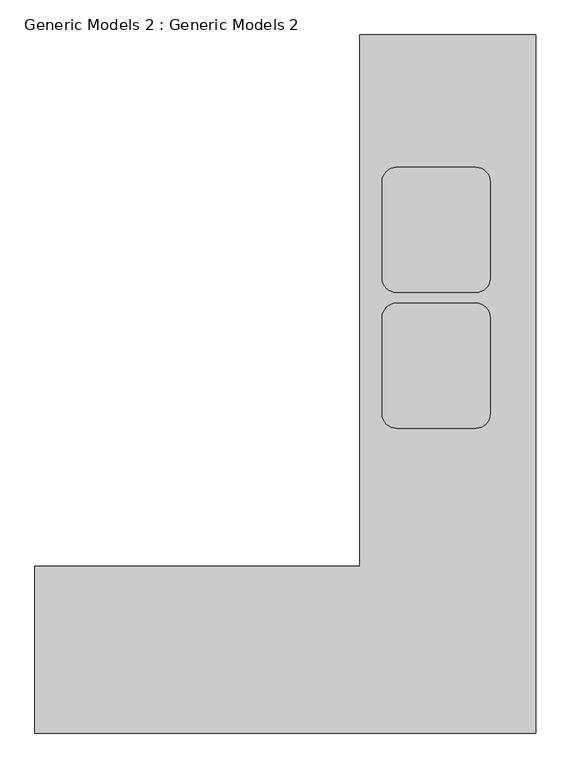
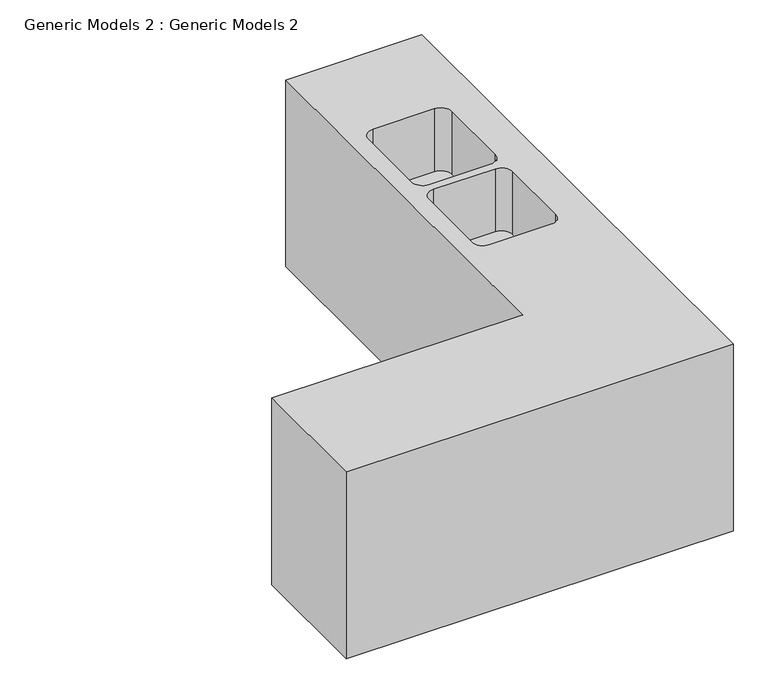
"""IFC4 building model written with IfcOpenShell, lengths in millimetres: proxy geometry, Generic Models 2 : Generic Models 2."""

from ifc_helpers import new_model, si_unit, frame, origin, place, context, project, spatial, polyline, circle_curve, source, transform, mapped, element, save
from ifc_brep_helpers import plane_surface, revolved_surface, advanced_brep


def generic_models_2_generic_models_2_f563f074(model_context):
    return source(origin(), model_context, "Body", "AdvancedBrep", [
        advanced_brep(
        [(588.3111023, -3882.7502059, 906.291841), (588.3111023, -5765.2300834, 906.291841), (-561.4702259, -5765.2300834, 906.291841), (-561.4702259, -6355.2340645, 906.291841), (1212.9856834, -6355.2340645, 906.291841), (1212.9856834, -3882.7502059, 906.291841), (719.0846311, -4351.9340645, 906.291841), (1000.0846311, -4351.9340645, 906.291841), (1050.8846311, -4402.7340645, 906.291841), (1050.8846311, -4743.9840645, 906.291841), (1000.0846311, -4794.7840645, 906.291841), (719.0846311, -4794.7840645, 906.291841), (668.2846311, -4743.9840645, 906.291841), (668.2846311, -4402.7340645, 906.291841), (719.0846311, -4832.8840645, 906.291841), (1000.0846311, -4832.8840645, 906.291841), (1050.8846311, -4883.6840645, 906.291841), (1050.8846311, -5224.9340645, 906.291841), (1000.0846311, -5275.7340645, 906.291841), (719.0846311, -5275.7340645, 906.291841), (668.2846311, -5224.9340645, 906.291841), (668.2846311, -4883.6840645, 906.291841), (588.3111023, -3882.7502059, 0.0), (1212.9856834, -3882.7502059, 0.0), (1212.9856834, -6355.2340645, 0.0), (-561.4702259, -6355.2340645, 0.0), (-561.4702259, -5765.2300834, 0.0), (588.3111023, -5765.2300834, 0.0), (719.0846311, -4351.9340645, 601.491841), (668.2846311, -4402.7340645, 601.491841), (668.2846311, -4743.9840645, 601.491841), (719.0846311, -4794.7840645, 601.491841), (1000.0846311, -4794.7840645, 601.491841), (1050.8846311, -4743.9840645, 601.491841), (1050.8846311, -4402.7340645, 601.491841), (1000.0846311, -4351.9340645, 601.491841), (719.0846311, -4832.8840645, 601.491841), (668.2846311, -4883.6840645, 601.491841), (668.2846311, -5224.9340645, 601.491841), (719.0846311, -5275.7340645, 601.491841), (1000.0846311, -5275.7340645, 601.491841), (1050.8846311, -5224.9340645, 601.491841), (1050.8846311, -4883.6840645, 601.491841), (1000.0846311, -4832.8840645, 601.491841)],
        [
            (0, 1),
            (1, 2),
            (2, 3),
            (3, 4),
            (4, 5),
            (5, 0),
            (6, 7),
            (7, 8, circle_curve(frame((1000.0846311, -4402.7340645, 906.291841), z_axis=(0.0, 0.0, -1.0), x_axis=(0.0, -1.0, 0.0)), 50.8)),
            (8, 9),
            (9, 10, circle_curve(frame((1000.0846311, -4743.9840645, 906.291841), z_axis=(0.0, 0.0, -1.0), x_axis=(0.0, -1.0, 0.0)), 50.8)),
            (10, 11),
            (11, 12, circle_curve(frame((719.0846311, -4743.9840645, 906.291841), z_axis=(0.0, 0.0, -1.0), x_axis=(0.0, -1.0, 0.0)), 50.8)),
            (12, 13),
            (13, 6, circle_curve(frame((719.0846311, -4402.7340645, 906.291841), z_axis=(0.0, 0.0, -1.0), x_axis=(0.0, -1.0, 0.0)), 50.8)),
            (14, 15),
            (15, 16, circle_curve(frame((1000.0846311, -4883.6840645, 906.291841), z_axis=(0.0, 0.0, -1.0), x_axis=(0.0, -1.0, 0.0)), 50.8)),
            (16, 17),
            (17, 18, circle_curve(frame((1000.0846311, -5224.9340645, 906.291841), z_axis=(0.0, 0.0, -1.0), x_axis=(0.0, -1.0, 0.0)), 50.8)),
            (18, 19),
            (19, 20, circle_curve(frame((719.0846311, -5224.9340645, 906.291841), z_axis=(0.0, 0.0, -1.0), x_axis=(0.0, -1.0, 0.0)), 50.8)),
            (20, 21),
            (21, 14, circle_curve(frame((719.0846311, -4883.6840645, 906.291841), z_axis=(0.0, 0.0, -1.0), x_axis=(0.0, -1.0, 0.0)), 50.8)),
            (22, 23),
            (23, 24),
            (24, 25),
            (25, 26),
            (26, 27),
            (27, 22),
            (0, 22),
            (27, 1),
            (26, 2),
            (25, 3),
            (24, 4),
            (23, 5),
            (28, 29, circle_curve(frame((719.0846311, -4402.7340645, 601.491841), z_axis=(0.0, 0.0, 1.0), x_axis=(0.0, -1.0, 0.0)), 50.8)),
            (29, 30),
            (30, 31, circle_curve(frame((719.0846311, -4743.9840645, 601.491841), z_axis=(0.0, 0.0, 1.0), x_axis=(0.0, -1.0, 0.0)), 50.8)),
            (31, 32),
            (32, 33, circle_curve(frame((1000.0846311, -4743.9840645, 601.491841), z_axis=(0.0, 0.0, 1.0), x_axis=(0.0, -1.0, 0.0)), 50.8)),
            (33, 34),
            (34, 35, circle_curve(frame((1000.0846311, -4402.7340645, 601.491841), z_axis=(0.0, 0.0, 1.0), x_axis=(0.0, -1.0, 0.0)), 50.8)),
            (35, 28),
            (36, 37, circle_curve(frame((719.0846311, -4883.6840645, 601.491841), z_axis=(0.0, 0.0, 1.0), x_axis=(0.0, -1.0, 0.0)), 50.8)),
            (37, 38),
            (38, 39, circle_curve(frame((719.0846311, -5224.9340645, 601.491841), z_axis=(0.0, 0.0, 1.0), x_axis=(0.0, -1.0, 0.0)), 50.8)),
            (39, 40),
            (40, 41, circle_curve(frame((1000.0846311, -5224.9340645, 601.491841), z_axis=(0.0, 0.0, 1.0), x_axis=(0.0, -1.0, 0.0)), 50.8)),
            (41, 42),
            (42, 43, circle_curve(frame((1000.0846311, -4883.6840645, 601.491841), z_axis=(0.0, 0.0, 1.0), x_axis=(0.0, -1.0, 0.0)), 50.8)),
            (43, 36),
            (35, 7),
            (6, 28),
            (34, 8),
            (33, 9),
            (32, 10),
            (31, 11),
            (30, 12),
            (29, 13),
            (43, 15),
            (14, 36),
            (42, 16),
            (41, 17),
            (40, 18),
            (39, 19),
            (38, 20),
            (37, 21),
        ],
        [
            plane_surface(frame((588.3111023, -3678.1680812, 906.291841), z_axis=(0.0, 0.0, 1.0), x_axis=(0.0, -1.0, 0.0))),
            plane_surface(frame((588.3111023, -3678.1680812, 0.0), z_axis=(0.0, 0.0, -1.0), x_axis=(0.0, 1.0, 0.0))),
            plane_surface(frame((588.3111023, -3882.7502059, 906.291841), z_axis=(-1.0, 0.0, 0.0), x_axis=(0.0, 0.0, -1.0))),
            plane_surface(frame((588.3111023, -5765.2300834, 906.291841), z_axis=(0.0, 1.0, 0.0), x_axis=(0.0, 0.0, -1.0))),
            plane_surface(frame((-561.4702259, -5765.2300834, 906.291841), z_axis=(-1.0, 0.0, 0.0), x_axis=(0.0, 0.0, -1.0))),
            plane_surface(frame((-561.4702259, -6355.2340645, 906.291841), z_axis=(0.0, -1.0, 0.0), x_axis=(0.0, 0.0, -1.0))),
            plane_surface(frame((1212.9856834, -6355.2340645, 906.291841), z_axis=(1.0, 0.0, 0.0), x_axis=(0.0, 0.0, -1.0))),
            plane_surface(frame((1212.9856834, -3882.7502059, 906.291841), z_axis=(0.0, 1.0, 0.0), x_axis=(0.0, 0.0, -1.0))),
            plane_surface(frame((1000.0846311, -4351.9340645, 601.491841), z_axis=(0.0, 0.0, 1.0), x_axis=(1.0, 0.0, 0.0))),
            plane_surface(frame((719.0846311, -4351.9340645, 601.491841), z_axis=(0.0, -1.0, 0.0), x_axis=(0.0, 0.0, 1.0))),
            revolved_surface(polyline([(1000.0846311, -4453.534064500001, 601.491841), (1000.0846311, -4453.534064500001, 906.291841)]), (1000.0846311, -4402.7340645, 906.291841), (0.0, 0.0, -1.0)),
            plane_surface(frame((1050.8846311, -4402.7340645, 601.491841), z_axis=(-1.0, 0.0, 0.0), x_axis=(0.0, 0.0, 1.0))),
            revolved_surface(polyline([(1000.0846311, -4794.784064500001, 601.491841), (1000.0846311, -4794.784064500001, 906.291841)]), (1000.0846311, -4743.9840645, 906.291841), (0.0, 0.0, -1.0)),
            plane_surface(frame((1000.0846311, -4794.7840645, 601.491841), z_axis=(0.0, 1.0, 0.0), x_axis=(0.0, 0.0, 1.0))),
            revolved_surface(polyline([(719.0846311, -4794.784064500001, 601.491841), (719.0846311, -4794.784064500001, 906.291841)]), (719.0846311, -4743.9840645, 906.291841), (0.0, 0.0, -1.0)),
            plane_surface(frame((668.2846311, -4743.9840645, 601.491841), z_axis=(1.0, 0.0, 0.0), x_axis=(0.0, 0.0, 1.0))),
            revolved_surface(polyline([(719.0846311, -4453.534064500001, 601.491841), (719.0846311, -4453.534064500001, 906.291841)]), (719.0846311, -4402.7340645, 906.291841), (0.0, 0.0, -1.0)),
            plane_surface(frame((719.0846311, -4832.8840645, 601.491841), z_axis=(0.0, -1.0, 0.0), x_axis=(0.0, 0.0, 1.0))),
            revolved_surface(polyline([(1000.0846311, -4934.4840645, 601.491841), (1000.0846311, -4934.4840645, 906.291841)]), (1000.0846311, -4883.6840645, 906.291841), (0.0, 0.0, -1.0)),
            plane_surface(frame((1050.8846311, -4883.6840645, 601.491841), z_axis=(-1.0, 0.0, 0.0), x_axis=(0.0, 0.0, 1.0))),
            revolved_surface(polyline([(1000.0846311, -5275.7340645, 601.491841), (1000.0846311, -5275.7340645, 906.291841)]), (1000.0846311, -5224.9340645, 906.291841), (0.0, 0.0, -1.0)),
            plane_surface(frame((1000.0846311, -5275.7340645, 601.491841), z_axis=(0.0, 1.0, 0.0), x_axis=(0.0, 0.0, 1.0))),
            revolved_surface(polyline([(719.0846311, -5275.7340645, 601.491841), (719.0846311, -5275.7340645, 906.291841)]), (719.0846311, -5224.9340645, 906.291841), (0.0, 0.0, -1.0)),
            plane_surface(frame((668.2846311, -5224.9340645, 601.491841), z_axis=(1.0, 0.0, 0.0), x_axis=(0.0, 0.0, 1.0))),
            revolved_surface(polyline([(719.0846311, -4934.4840645, 601.491841), (719.0846311, -4934.4840645, 906.291841)]), (719.0846311, -4883.6840645, 906.291841), (0.0, 0.0, -1.0)),
        ],
        [
            (0, [[1, 2, 3, 4, 5, 6], [7, 8, 9, 10, 11, 12, 13, 14], [15, 16, 17, 18, 19, 20, 21, 22]]),
            (1, [[23, 24, 25, 26, 27, 28]]),
            (2, [[-1, 29, -28, 30]]),
            (3, [[-2, -30, -27, 31]]),
            (4, [[-3, -31, -26, 32]]),
            (5, [[-4, -32, -25, 33]]),
            (6, [[-5, -33, -24, 34]]),
            (7, [[-6, -34, -23, -29]]),
            (8, [[35, 36, 37, 38, 39, 40, 41, 42]]),
            (8, [[43, 44, 45, 46, 47, 48, 49, 50]]),
            (9, [[-42, 51, -7, 52]]),
            (10, [[-41, 53, -8, -51]]),
            (11, [[-40, 54, -9, -53]]),
            (12, [[-39, 55, -10, -54]]),
            (13, [[-38, 56, -11, -55]]),
            (14, [[-37, 57, -12, -56]]),
            (15, [[-36, 58, -13, -57]]),
            (16, [[-35, -52, -14, -58]]),
            (17, [[-50, 59, -15, 60]]),
            (18, [[-49, 61, -16, -59]]),
            (19, [[-48, 62, -17, -61]]),
            (20, [[-47, 63, -18, -62]]),
            (21, [[-46, 64, -19, -63]]),
            (22, [[-45, 65, -20, -64]]),
            (23, [[-44, 66, -21, -65]]),
            (24, [[-43, -60, -22, -66]]),
        ],
    ),
    ])


if __name__ == "__main__":
    model = new_model("IFC4")
    model_context = context("Model", 3, world=origin())
    ifc_project = project(units=[si_unit("LENGTHUNIT", "METRE", prefix="MILLI")], contexts=[model_context])
    site = spatial("IfcSite", under=ifc_project)
    building = spatial("IfcBuilding", under=site)
    placement = place(None, origin())
    generic_models_2_generic_models_2_shape = generic_models_2_generic_models_2_f563f074(model_context)
    element("IfcBuildingElementProxy", 1, Name="Generic Models 2 : Generic Models 2", ObjectType="Generic Models 2 : Generic Models 2", at=placement, inside=building, context=model_context, shape_type="MappedRepresentation", body=[
        mapped(generic_models_2_generic_models_2_shape, transform((0.0, 0.0, 0.0), x_axis=(1.0, 0.0, 0.0), y_axis=(0.0, 1.0, 0.0), z_axis=(0.0, 0.0, 1.0))),
    ])
    save(model, "model.ifc")
